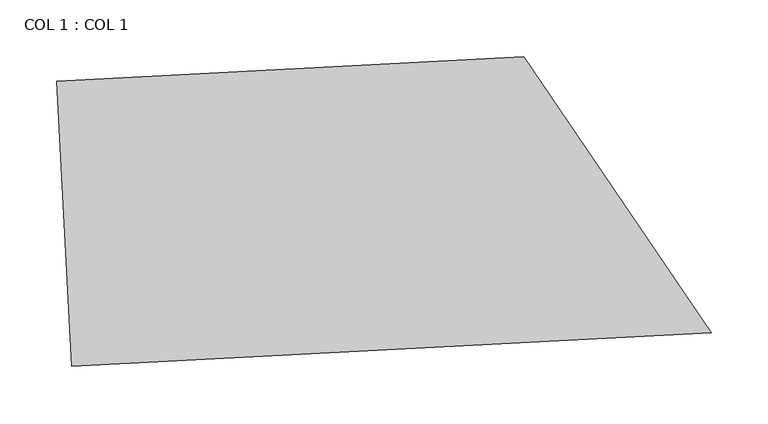
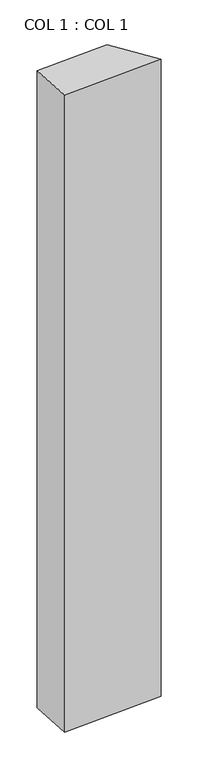
"""IFC4 building model written with IfcOpenShell, lengths in millimetres: column geometry, COL 1 : COL 1."""

from ifc_helpers import new_model, si_unit, point, frame_2d, origin, origin_with_axes, place, context, project, spatial, polyline, circle_curve, trimmed, segment, composite_curve, outline, extrude, source, transform, mapped, element, save


def col_1_col_1_626721b3(model_context):
    return source(origin(), model_context, "Body", "SweptSolid", [
        extrude(outline(composite_curve([segment(polyline([(6345.0539916, -30821.1600547), (6755.6659066, -30799.6407961)]), True, "CONTINUOUS"), segment(trimmed(circle_curve(frame_2d((3840.295048, -32955.4239436)), 3625.85), [point((6755.6659066, -30799.6407961))], [point((6920.2784026, -31042.1830394))], False, "CARTESIAN"), True, "CONTINUOUS"), segment(polyline([(6920.2784026, -31042.1830394), (6358.1811578, -31071.6413077), (6345.0539916, -30821.1600547)]), True, "CONTINUOUS")], self_intersect=False)), origin_with_axes(), (0.0, 0.0, 1.0), 3810.0),
    ])


if __name__ == "__main__":
    model = new_model("IFC4")
    model_context = context("Model", 3, world=origin())
    ifc_project = project(units=[si_unit("LENGTHUNIT", "METRE", prefix="MILLI")], contexts=[model_context])
    site = spatial("IfcSite", under=ifc_project)
    building = spatial("IfcBuilding", under=site)
    placement = place(None, origin())
    col_1_col_1_shape = col_1_col_1_626721b3(model_context)
    element("IfcColumn", 1, ObjectType="COL 1 : COL 1", at=placement, inside=building, context=model_context, shape_type="MappedRepresentation", body=[
        mapped(col_1_col_1_shape, transform((0.0, 0.0, 0.0), x_axis=(1.0, 0.0, 0.0), y_axis=(0.0, 1.0, 0.0), z_axis=(0.0, 0.0, 1.0))),
    ])
    save(model, "model.ifc")
